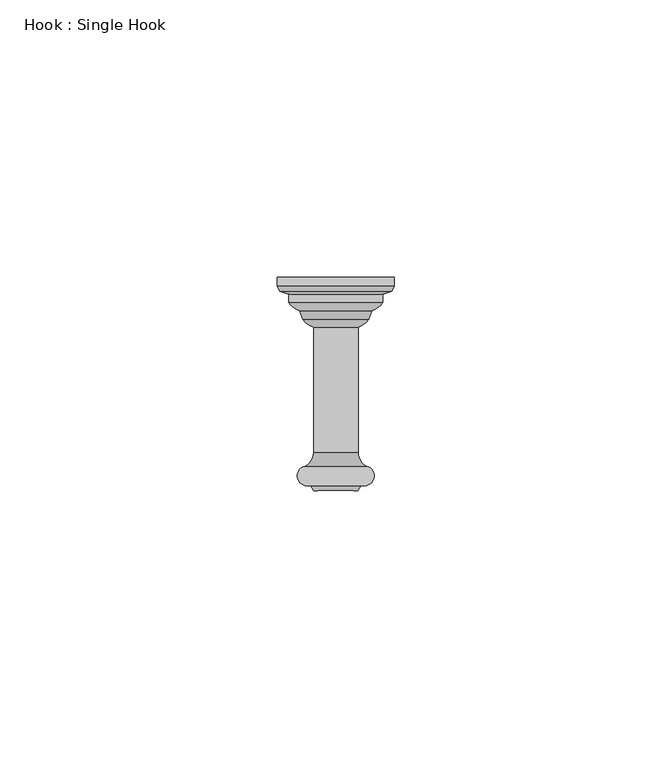
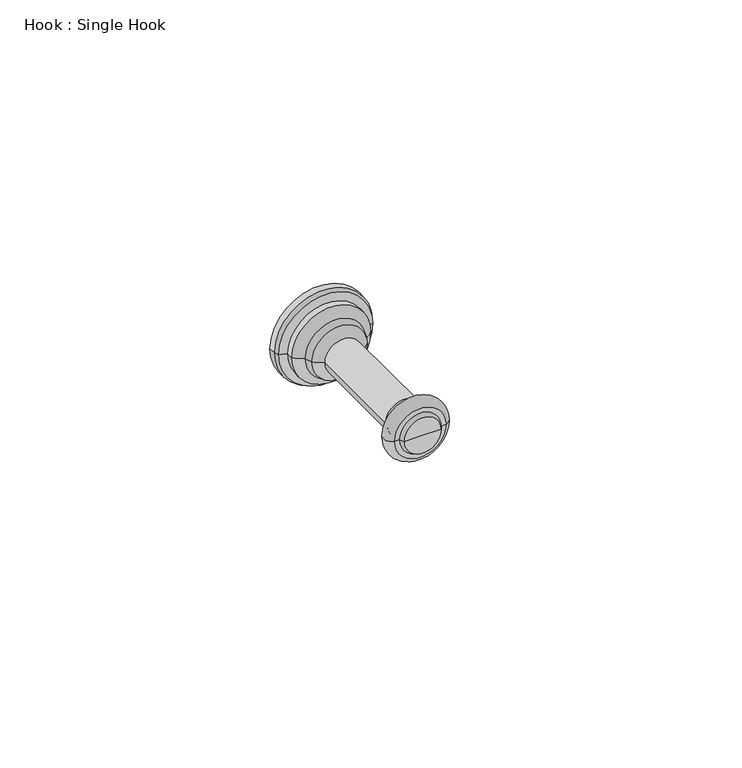
"""IFC4 building model written with IfcOpenShell, lengths in millimetres: proxy geometry, Hook : Single Hook."""

import ifcopenshell
import ifcopenshell.guid

model = None  # the IFC model being written
_history = None  # IfcOwnerHistory: only IFC2X3 demands one
_inside = {}  # id of a spatial element -> (the spatial element, [elements in it])
_under = {}  # id of a project, library or spatial element -> (it, [spatial elements below it])
_declared = {}  # id of a project -> (the project, [libraries it declares])
_typed = {}  # id of a type object -> (the type object, [elements of that type])
_made_of = {}  # id of a material, layer set ... -> (it, [elements and type objects made of it])


def new_model(schema):
    """Start an empty IFC model of exactly this schema.

    Asked for "IFC4X3", IfcOpenShell would pick the latest addendum, in which some entities
    have other attributes; the version numbers below select the first issue.
    IFC2X3 requires an IfcOwnerHistory on every rooted entity: one is made here for all.
    """
    global model, _history
    if schema == "IFC4X3":
        model = ifcopenshell.file(schema_version=(4, 3, 0, 0))
    else:
        model = ifcopenshell.file(schema=schema)
    _inside.clear()
    _under.clear()
    _declared.clear()
    _typed.clear()
    _made_of.clear()
    _history = None
    if model.schema == "IFC2X3":
        org = make("IfcOrganization", Name="unknown")
        user = make(
            "IfcPersonAndOrganization",
            ThePerson=make("IfcPerson", FamilyName="unknown"),
            TheOrganization=org,
        )
        app = make(
            "IfcApplication",
            ApplicationDeveloper=org,
            Version="unknown",
            ApplicationFullName="unknown",
            ApplicationIdentifier="unknown",
        )
        _history = make(
            "IfcOwnerHistory",
            OwningUser=user,
            OwningApplication=app,
            ChangeAction="ADDED",
            CreationDate=0,
        )
    return model


def make(cls, **values):
    """One entity of the class cls with the attributes given. An attribute that is None is left unset."""
    return model.create_entity(
        cls, **{name: value for name, value in values.items() if value is not None}
    )


def rooted(cls, **values):
    """An entity with a GlobalId (a new one), such as an element, a storey or a relation."""
    return make(cls, GlobalId=ifcopenshell.guid.new(), OwnerHistory=_history, **values)


def si_unit(unit_type, name, prefix=None):
    """IfcSIUnit, for example si_unit("LENGTHUNIT", "METRE", prefix="MILLI")."""
    return make("IfcSIUnit", UnitType=unit_type, Prefix=prefix, Name=name)


def assignment(units):
    """IfcUnitAssignment: the units of a project."""
    return None if units is None else make("IfcUnitAssignment", Units=units)


def point(xyz):
    """IfcCartesianPoint."""
    return None if xyz is None else make("IfcCartesianPoint", Coordinates=xyz)


def direction(xyz):
    """IfcDirection."""
    return None if xyz is None else make("IfcDirection", DirectionRatios=xyz)


def frame(location, z_axis=None, x_axis=None):
    """IfcAxis2Placement3D, a coordinate frame: its origin and axes. An axis left out is left unset."""
    return make(
        "IfcAxis2Placement3D",
        Location=point(location),
        Axis=direction(z_axis),
        RefDirection=direction(x_axis),
    )


def origin():
    """The frame at (0, 0, 0) with its axes left unset."""
    return frame((0.0, 0.0, 0.0))


def place(relative_to, where):
    """IfcLocalPlacement: puts the frame where relative to a parent placement (None: the world)."""
    return make(
        "IfcLocalPlacement", PlacementRelTo=relative_to, RelativePlacement=where
    )


def context(
    kind, dimensions, precision=None, world=None, true_north=None, identifier=None
):
    """IfcGeometricRepresentationContext, for example the 3D "Model" context."""
    return make(
        "IfcGeometricRepresentationContext",
        ContextIdentifier=identifier,
        ContextType=kind,
        CoordinateSpaceDimension=dimensions,
        Precision=precision,
        WorldCoordinateSystem=world,
        TrueNorth=true_north,
    )


def project(units=None, contexts=None):
    """IfcProject with its units and contexts."""
    return rooted(
        "IfcProject",
        Name="project",
        RepresentationContexts=contexts,
        UnitsInContext=assignment(units),
    )


def spatial(cls, under=None, at=None, **own):
    """A site, building, storey or space (cls), placed at a placement, below another one or the project."""
    s = rooted(cls, ObjectPlacement=at, **own)
    if under is not None:
        _under.setdefault(under.id(), (under, []))[1].append(s)
    return s


def polyline(points):
    """IfcPolyline through the points."""
    return make("IfcPolyline", Points=[point(p) for p in points])


def circle_curve(where, radius):
    """IfcCircle in the frame where."""
    return make("IfcCircle", Position=where, Radius=radius)


def ellipse_curve(where, semi_axis1, semi_axis2):
    """IfcEllipse in the frame where."""
    return make(
        "IfcEllipse", Position=where, SemiAxis1=semi_axis1, SemiAxis2=semi_axis2
    )


def trimmed(basis, trim1, trim2, sense, master):
    """IfcTrimmedCurve: the piece of a basis curve between two trims."""
    return make(
        "IfcTrimmedCurve",
        BasisCurve=basis,
        Trim1=trim1,
        Trim2=trim2,
        SenseAgreement=sense,
        MasterRepresentation=master,
    )


def shape(context_of_items, identifier, shape_type, items):
    """IfcShapeRepresentation: the items that make up one representation, for example the "Body"."""
    return make(
        "IfcShapeRepresentation",
        ContextOfItems=context_of_items,
        RepresentationIdentifier=identifier,
        RepresentationType=shape_type,
        Items=items,
    )


def source(mapping_origin, context_of_items, identifier, shape_type, items):
    """IfcRepresentationMap: a shape defined once, which mapped items show again and again."""
    return make(
        "IfcRepresentationMap",
        MappingOrigin=mapping_origin,
        MappedRepresentation=shape(context_of_items, identifier, shape_type, items),
    )


def transform(
    local_origin,
    x_axis=None,
    y_axis=None,
    z_axis=None,
    scale=None,
    scale2=None,
    scale3=None,
    uniform=True,
):
    """IfcCartesianTransformationOperator3D, or its non-uniform kind. x_axis, y_axis, z_axis: its Axis1, 2, 3."""
    if uniform:
        return make(
            "IfcCartesianTransformationOperator3D",
            Axis1=direction(x_axis),
            Axis2=direction(y_axis),
            LocalOrigin=point(local_origin),
            Scale=scale,
            Axis3=direction(z_axis),
        )
    return make(
        "IfcCartesianTransformationOperator3DnonUniform",
        Axis1=direction(x_axis),
        Axis2=direction(y_axis),
        LocalOrigin=point(local_origin),
        Scale=scale,
        Axis3=direction(z_axis),
        Scale2=scale2,
        Scale3=scale3,
    )


def mapped(mapping_source, mapping_target):
    """IfcMappedItem: shows the shape of a source again, moved by a transform."""
    return make(
        "IfcMappedItem", MappingSource=mapping_source, MappingTarget=mapping_target
    )


def made_of(thing, what):
    """Note that an element or type object is made of a material, layer set ...; save() writes the relation."""
    if what is not None:
        _made_of.setdefault(what.id(), (what, []))[1].append(thing)
    return thing


def element(
    cls,
    number,
    at=None,
    inside=None,
    cuts=None,
    type_object=None,
    material=None,
    context=None,
    identifier="Body",
    shape_type=None,
    held_by="IfcProductDefinitionShape",
    body=None,
    shapes=None,
    **own,
):
    """One element of the class cls, such as IfcWall. Its Tag is "e" and its number.

    at: its placement. inside: the storey or other place that contains it. cuts: it is an
    opening in that element (IfcRelVoidsElement). A single representation is given by context,
    identifier, shape_type and body (its items); several are given by shapes. held_by: the class
    of the entity that holds the representations. save() writes the other relations.
    """
    e = rooted(cls, Tag="e%d" % number, ObjectPlacement=at, **own)
    if body is not None:
        shapes = [shape(context, identifier, shape_type, body)]
    if shapes is not None:
        e.Representation = make(held_by, Representations=shapes)
    if inside is not None:
        _inside.setdefault(inside.id(), (inside, []))[1].append(e)
    if cuts is not None:
        rooted(
            "IfcRelVoidsElement", RelatingBuildingElement=cuts, RelatedOpeningElement=e
        )
    if type_object is not None:
        _typed.setdefault(type_object.id(), (type_object, []))[1].append(e)
    return made_of(e, material)


def aggregate(whole, parts):
    """IfcRelAggregates: a whole, such as a stair, and the parts it consists of."""
    return rooted("IfcRelAggregates", RelatingObject=whole, RelatedObjects=parts)


def save(model, path):
    """Write the relations noted so far, then the file.

    IfcRelAggregates (storeys below a building ...), IfcRelContainedInSpatialStructure (elements
    in a storey), IfcRelDefinesByType, IfcRelAssociatesMaterial and IfcRelDeclares: one each for
    every whole, place, type object, material and project.
    """
    for whole, parts in _under.values():
        aggregate(whole, parts)
    for where, things in _inside.values():
        rooted(
            "IfcRelContainedInSpatialStructure",
            RelatedElements=things,
            RelatingStructure=where,
        )
    for kind, things in _typed.values():
        rooted("IfcRelDefinesByType", RelatedObjects=things, RelatingType=kind)
    for what, things in _made_of.values():
        rooted("IfcRelAssociatesMaterial", RelatedObjects=things, RelatingMaterial=what)
    for by, libraries in _declared.values():
        rooted("IfcRelDeclares", RelatingContext=by, RelatedDefinitions=libraries)
    model.write(path)


def plane_surface(at):
    """IfcPlane: the flat surface through the origin of the frame at, square to its z axis."""
    return make("IfcPlane", Position=at)


def cylinder_surface(at, radius):
    """IfcCylindricalSurface: all points at the distance radius from the z axis of the frame at."""
    return make("IfcCylindricalSurface", Position=at, Radius=radius)


def revolved_surface(curve, axis_point, axis_direction):
    """IfcSurfaceOfRevolution: the curve turned about the line through axis_point along axis_direction."""
    return make(
        "IfcSurfaceOfRevolution",
        SweptCurve=make("IfcArbitraryOpenProfileDef", ProfileType="CURVE", Curve=curve),
        AxisPosition=make("IfcAxis1Placement", Location=point(axis_point), Axis=direction(axis_direction)),
    )


def advanced_brep(points, edges, surfaces, faces):
    """IfcAdvancedBrep: a solid bounded by faces that lie on surfaces and meet in shared edges.

    An edge is (start, end): straight between two places in points (the first is 0);
    or (start, end, curve); or (start, end, curve, False) where it runs against its curve.
    A face is (place in surfaces, loops), or (place, loops, False) where it looks against
    its surface's normal. A loop lists edges by number (the first is 1), with a minus sign
    where the edge is run from its end to its start. The first loop is the outer one.
    """
    corners = [point(p) for p in points]
    vertices = [make("IfcVertexPoint", VertexGeometry=c) for c in corners]
    made = []
    for start, end, *more in edges:
        made.append(
            make(
                "IfcEdgeCurve",
                EdgeStart=vertices[start],
                EdgeEnd=vertices[end],
                EdgeGeometry=more[0] if more else make("IfcPolyline", Points=[corners[start], corners[end]]),
                SameSense=more[1] if len(more) > 1 else True,
            )
        )
    hull = []
    for where, loops, *sense in faces:
        bounds = []
        for j, loop in enumerate(loops):
            ring = [make("IfcOrientedEdge", EdgeElement=made[abs(k) - 1], Orientation=k > 0) for k in loop]
            bounds.append(
                make(
                    "IfcFaceOuterBound" if j == 0 else "IfcFaceBound",
                    Bound=make("IfcEdgeLoop", EdgeList=ring),
                    Orientation=True,
                )
            )
        hull.append(make("IfcAdvancedFace", Bounds=bounds, FaceSurface=surfaces[where], SameSense=sense[0] if sense else True))
    return make("IfcAdvancedBrep", Outer=make("IfcClosedShell", CfsFaces=hull))


def hook_single_hook_7ee15619(model_context):
    return source(origin(), model_context, "Body", "AdvancedBrep", [
        advanced_brep(
        [(120.4999999, -134.3374993, 0.0), (119.4999996, -134.3374993, 0.0), (130.5000004, -134.3374993, 0.0), (129.5000001, -134.3374993, 0.0), (121.0086329, -135.2184776, 0.0), (128.9913671, -135.2184776, 0.0), (125.0, -135.2184776, 0.0), (114.5000005, -96.8375, 0.0), (125.0, -96.8375, 0.0), (135.4999995, -96.8375, 0.0), (114.5000005, -98.3561938, 0.0), (135.4999995, -98.3561938, 0.0), (114.8940547, -99.2845273, 0.0), (135.1059453, -99.2845273, 0.0), (116.4999999, -99.8374986, 0.0), (133.5000001, -99.8374986, 0.0), (116.4999999, -101.3034491, 0.0), (133.5000001, -101.3034491, 0.0), (118.489313, -102.8576708, 0.0), (131.510687, -102.8576708, 0.0), (119.0341392, -104.3545686, 0.0), (130.9658608, -104.3545686, 0.0), (120.9909169, -105.8291064, 0.0), (129.0090831, -105.8291064, 0.0), (120.9909169, -128.3266117, 0.0), (129.0090831, -128.3266117, 0.0), (119.4999996, -130.8374993, 0.0), (130.5000004, -130.8374993, 0.0)],
        [
            (0, 1),
            (1, 2, circle_curve(frame((125.0, -134.3374993, 0.0), z_axis=(0.0, -1.0, 0.0), x_axis=(1.0, 0.0, 0.0)), 5.5000004)),
            (2, 3),
            (3, 0, circle_curve(frame((125.0, -134.3374993, 0.0), z_axis=(0.0, 1.0, 0.0), x_axis=(1.0, 0.0, 0.0)), 4.5000001)),
            (2, 1, circle_curve(frame((125.0, -134.3374993, 0.0), z_axis=(0.0, -1.0, 0.0), x_axis=(1.0, 0.0, 0.0)), 5.5000004)),
            (0, 3, circle_curve(frame((125.0, -134.3374993, 0.0), z_axis=(0.0, 1.0, 0.0), x_axis=(1.0, 0.0, 0.0)), 4.5000001)),
            (4, 0),
            (3, 5),
            (5, 4, circle_curve(frame((125.0, -135.2184776, 0.0), z_axis=(0.0, 1.0, 0.0), x_axis=(1.0, 0.0, 0.0)), 3.9913671)),
            (4, 5, circle_curve(frame((125.0, -135.2184776, 0.0), z_axis=(0.0, 1.0, 0.0), x_axis=(1.0, 0.0, 0.0)), 3.9913671)),
            (6, 4),
            (5, 6),
            (7, 8),
            (8, 9),
            (9, 7, circle_curve(frame((125.0, -96.8375, 0.0), z_axis=(0.0, 1.0, 0.0), x_axis=(1.0, 0.0, 0.0)), 10.4999995)),
            (7, 9, circle_curve(frame((125.0, -96.8375, 0.0), z_axis=(0.0, 1.0, 0.0), x_axis=(1.0, 0.0, 0.0)), 10.4999995)),
            (10, 7),
            (9, 11),
            (11, 10, circle_curve(frame((125.0, -98.3561938, 0.0), z_axis=(0.0, 1.0, 0.0), x_axis=(1.0, 0.0, 0.0)), 10.4999995)),
            (10, 11, circle_curve(frame((125.0, -98.3561938, 0.0), z_axis=(0.0, 1.0, 0.0), x_axis=(1.0, 0.0, 0.0)), 10.4999995)),
            (12, 10),
            (11, 13),
            (13, 12, circle_curve(frame((125.0, -99.2845273, 0.0), z_axis=(0.0, 1.0, 0.0), x_axis=(1.0, 0.0, 0.0)), 10.1059453)),
            (12, 13, circle_curve(frame((125.0, -99.2845273, 0.0), z_axis=(0.0, 1.0, 0.0), x_axis=(1.0, 0.0, 0.0)), 10.1059453)),
            (14, 12),
            (13, 15),
            (15, 14, circle_curve(frame((125.0, -99.8374986, 0.0), z_axis=(0.0, 1.0, 0.0), x_axis=(1.0, 0.0, 0.0)), 8.5000001)),
            (14, 15, circle_curve(frame((125.0, -99.8374986, 0.0), z_axis=(0.0, 1.0, 0.0), x_axis=(1.0, 0.0, 0.0)), 8.5000001)),
            (16, 14),
            (15, 17),
            (17, 16, circle_curve(frame((125.0, -101.3034491, 0.0), z_axis=(0.0, 1.0, 0.0), x_axis=(1.0, 0.0, 0.0)), 8.5000001)),
            (16, 17, circle_curve(frame((125.0, -101.3034491, 0.0), z_axis=(0.0, 1.0, 0.0), x_axis=(1.0, 0.0, 0.0)), 8.5000001)),
            (18, 16, circle_curve(frame((119.8549073, -99.0595765, 0.0), z_axis=(0.0, 0.0, -1.0), x_axis=(-1.0, 0.0, 0.0)), 4.0361328)),
            (17, 19, circle_curve(frame((130.1450927, -99.0595765, 0.0), z_axis=(0.0, 0.0, -1.0), x_axis=(1.0, 0.0, 0.0)), 4.0361328)),
            (19, 18, circle_curve(frame((125.0, -102.8576708, 0.0), z_axis=(0.0, 1.0, 0.0), x_axis=(1.0, 0.0, 0.0)), 6.510687)),
            (18, 19, circle_curve(frame((125.0, -102.8576708, 0.0), z_axis=(0.0, 1.0, 0.0), x_axis=(1.0, 0.0, 0.0)), 6.510687)),
            (20, 18),
            (19, 21),
            (21, 20, circle_curve(frame((125.0, -104.3545686, 0.0), z_axis=(0.0, 1.0, 0.0), x_axis=(1.0, 0.0, 0.0)), 5.9658608)),
            (20, 21, circle_curve(frame((125.0, -104.3545686, 0.0), z_axis=(0.0, 1.0, 0.0), x_axis=(1.0, 0.0, 0.0)), 5.9658608)),
            (22, 20, circle_curve(frame((122.4114414, -101.9083721, 0.0), z_axis=(0.0, 0.0, -1.0), x_axis=(-1.0, 0.0, 0.0)), 4.1701376)),
            (21, 23, circle_curve(frame((127.5885586, -101.9083721, 0.0), z_axis=(0.0, 0.0, -1.0), x_axis=(1.0, 0.0, 0.0)), 4.1701376)),
            (23, 22, circle_curve(frame((125.0, -105.8291064, 0.0), z_axis=(0.0, 1.0, 0.0), x_axis=(1.0, 0.0, 0.0)), 4.0090831)),
            (22, 23, circle_curve(frame((125.0, -105.8291064, 0.0), z_axis=(0.0, 1.0, 0.0), x_axis=(1.0, 0.0, 0.0)), 4.0090831)),
            (24, 22),
            (23, 25),
            (25, 24, circle_curve(frame((125.0, -128.3266117, 0.0), z_axis=(0.0, 1.0, 0.0), x_axis=(1.0, 0.0, 0.0)), 4.0090831)),
            (24, 25, circle_curve(frame((125.0, -128.3266117, 0.0), z_axis=(0.0, 1.0, 0.0), x_axis=(1.0, 0.0, 0.0)), 4.0090831)),
            (26, 24, circle_curve(frame((118.1311369, -128.3266117, 0.0), z_axis=(0.0, 0.0, 1.0), x_axis=(-1.0, 0.0, 0.0)), 2.85978)),
            (25, 27, circle_curve(frame((131.8688631, -128.3266117, 0.0), z_axis=(0.0, 0.0, 1.0), x_axis=(1.0, 0.0, 0.0)), 2.85978)),
            (27, 26, circle_curve(frame((125.0, -130.8374993, 0.0), z_axis=(0.0, 1.0, 0.0), x_axis=(1.0, 0.0, 0.0)), 5.5000004)),
            (26, 27, circle_curve(frame((125.0, -130.8374993, 0.0), z_axis=(0.0, 1.0, 0.0), x_axis=(1.0, 0.0, 0.0)), 5.5000004)),
            (1, 26, circle_curve(frame((119.874999, -132.5874993, 0.0), z_axis=(0.0, 0.0, -1.0), x_axis=(-1.0, 0.0, 0.0)), 1.7897275)),
            (27, 2, circle_curve(frame((130.125001, -132.5874993, 0.0), z_axis=(0.0, 0.0, -1.0), x_axis=(1.0, 0.0, 0.0)), 1.7897275)),
        ],
        [
            plane_surface(frame((125.0, -134.3374993, 0.0), z_axis=(0.0, -1.0, 0.0), x_axis=(1.0, 0.0, 0.0))),
            revolved_surface(polyline([(129.5000001, -134.3374993, 0.0), (128.9913671, -135.2184776, 0.0)]), (125.0, -152.7855881, 0.0), (0.0, -1.0, 0.0)),
            plane_surface(frame((125.0, -135.2184776, 0.0), z_axis=(0.0, -1.0, 0.0), x_axis=(1.0, 0.0, 0.0))),
            plane_surface(frame((125.0, -96.8375, 0.0), z_axis=(0.0, 1.0, 0.0), x_axis=(1.0, 0.0, 0.0))),
            cylinder_surface(frame((125.0, -152.7855881, 0.0), z_axis=(0.0, -1.0, 0.0), x_axis=(1.0, 0.0, 0.0)), 10.4999995),
            revolved_surface(polyline([(135.4999995, -98.3561938, 0.0), (135.1059453, -99.2845273, 0.0)]), (125.0, -152.7855881, 0.0), (0.0, -1.0, 0.0)),
            revolved_surface(polyline([(135.1059453, -99.2845273, 0.0), (133.5000001, -99.8374986, 0.0)]), (125.0, -152.7855881, 0.0), (0.0, -1.0, 0.0)),
            cylinder_surface(frame((125.0, -152.7855881, 0.0), z_axis=(0.0, -1.0, 0.0), x_axis=(1.0, 0.0, 0.0)), 8.5000001),
            revolved_surface(trimmed(ellipse_curve(frame((130.1450927, -99.0595765, 0.0), z_axis=(0.0, 0.0, -1.0), x_axis=(1.0, 0.0, 0.0)), 4.0361328, 4.0361328), [point((133.5000001, -101.3034491, 0.0))], [point((131.510687, -102.8576708, 0.0))], True, "CARTESIAN"), (125.0, -152.7855881, 0.0), (0.0, -1.0, 0.0)),
            revolved_surface(polyline([(131.510687, -102.8576708, 0.0), (130.9658608, -104.3545686, 0.0)]), (125.0, -152.7855881, 0.0), (0.0, -1.0, 0.0)),
            revolved_surface(trimmed(ellipse_curve(frame((127.5885586, -101.9083721, 0.0), z_axis=(0.0, 0.0, -1.0), x_axis=(1.0, 0.0, 0.0)), 4.1701376, 4.1701376), [point((130.9658608, -104.3545686, 0.0))], [point((129.0090831, -105.8291064, 0.0))], True, "CARTESIAN"), (125.0, -152.7855881, 0.0), (0.0, -1.0, 0.0)),
            cylinder_surface(frame((125.0, -152.7855881, 0.0), z_axis=(0.0, -1.0, 0.0), x_axis=(1.0, 0.0, 0.0)), 4.0090831),
            revolved_surface(trimmed(ellipse_curve(frame((131.8688631, -128.3266117, 0.0), z_axis=(0.0, 0.0, 1.0), x_axis=(1.0, 0.0, 0.0)), 2.85978, 2.85978), [point((129.0090831, -128.3266117, 0.0))], [point((130.5000004, -130.8374993, 0.0))], True, "CARTESIAN"), (125.0, -152.7855881, 0.0), (0.0, -1.0, 0.0)),
            revolved_surface(trimmed(ellipse_curve(frame((130.125001, -132.5874993, 0.0), z_axis=(0.0, 0.0, -1.0), x_axis=(1.0, 0.0, 0.0)), 1.7897275, 1.7897275), [point((130.5000004, -130.8374993, 0.0))], [point((130.5000004, -134.3374993, 0.0))], True, "CARTESIAN"), (125.0, -152.7855881, 0.0), (0.0, -1.0, 0.0)),
        ],
        [
            (0, [[1, 2, 3, 4]]),
            (0, [[-3, 5, -1, 6]]),
            (1, [[7, -4, 8, 9]]),
            (1, [[-8, -6, -7, 10]]),
            (2, [[11, -9, 12]]),
            (2, [[-12, -10, -11]]),
            (3, [[13, 14, 15]]),
            (3, [[-14, -13, 16]]),
            (4, [[17, -15, 18, 19]]),
            (4, [[-18, -16, -17, 20]]),
            (5, [[21, -19, 22, 23]]),
            (5, [[-22, -20, -21, 24]]),
            (6, [[25, -23, 26, 27]]),
            (6, [[-26, -24, -25, 28]]),
            (7, [[29, -27, 30, 31]]),
            (7, [[-30, -28, -29, 32]]),
            (8, [[33, -31, 34, 35]]),
            (8, [[-34, -32, -33, 36]]),
            (9, [[37, -35, 38, 39]]),
            (9, [[-38, -36, -37, 40]]),
            (10, [[41, -39, 42, 43]]),
            (10, [[-42, -40, -41, 44]]),
            (11, [[45, -43, 46, 47]]),
            (11, [[-46, -44, -45, 48]]),
            (12, [[49, -47, 50, 51]]),
            (12, [[-50, -48, -49, 52]]),
            (13, [[53, -51, 54, -2]]),
            (13, [[-54, -52, -53, -5]]),
        ],
    ),
    ])


if __name__ == "__main__":
    model = new_model("IFC4")
    model_context = context("Model", 3, world=origin())
    ifc_project = project(units=[si_unit("LENGTHUNIT", "METRE", prefix="MILLI")], contexts=[model_context])
    site = spatial("IfcSite", under=ifc_project)
    building = spatial("IfcBuilding", under=site)
    placement = place(None, origin())
    hook_single_hook_shape = hook_single_hook_7ee15619(model_context)
    element("IfcBuildingElementProxy", 1, Name="Hook : Single Hook", ObjectType="Hook : Single Hook", at=placement, inside=building, context=model_context, shape_type="MappedRepresentation", body=[
        mapped(hook_single_hook_shape, transform((0.0, 0.0, 0.0), x_axis=(1.0, 0.0, 0.0), y_axis=(0.0, 1.0, 0.0), z_axis=(0.0, 0.0, 1.0))),
    ])
    save(model, "model.ifc")
